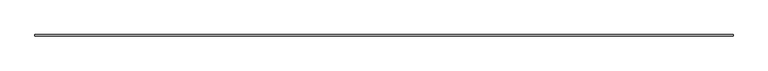
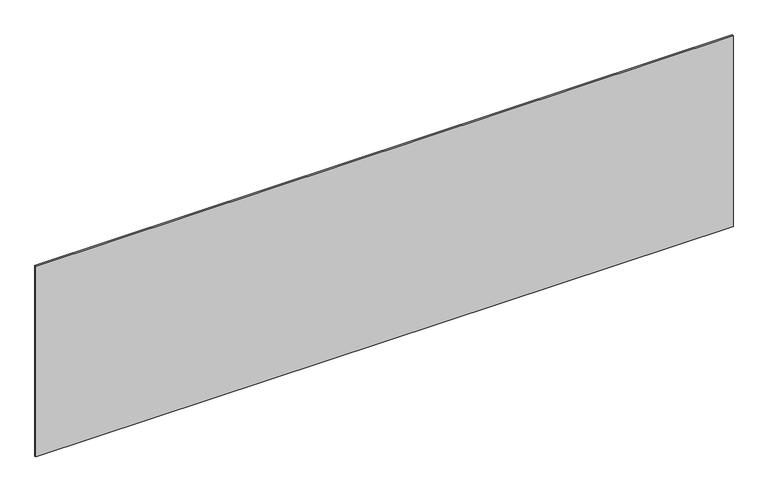
"""IFC4 building model written with IfcOpenShell, lengths in millimetres: plate geometry."""

from ifc_helpers import new_model, si_unit, origin, origin_with_axes, place, context, project, spatial, polyline, outline, extrude, source, transform, mapped, element, save


def plate_43654f06(model_context):
    return source(origin(), model_context, "Body", "SweptSolid", [
        extrude(outline(polyline([(2264.1666667, -5.0), (-2264.1666667, -5.0), (-2264.1666667, 5.0), (2264.1666667, 5.0), (2264.1666667, -5.0)])), origin_with_axes(), (0.0, 0.0, 1.0), 1309.8788902),
    ])


if __name__ == "__main__":
    model = new_model("IFC4")
    model_context = context("Model", 3, world=origin())
    ifc_project = project(units=[si_unit("LENGTHUNIT", "METRE", prefix="MILLI")], contexts=[model_context])
    site = spatial("IfcSite", under=ifc_project)
    building = spatial("IfcBuilding", under=site)
    placement = place(None, origin())
    plate_shape = plate_43654f06(model_context)
    element("IfcPlate", 1, at=placement, inside=building, context=model_context, shape_type="MappedRepresentation", body=[
        mapped(plate_shape, transform((0.0, 0.0, 0.0), x_axis=(1.0, 0.0, 0.0), y_axis=(0.0, 1.0, 0.0), z_axis=(0.0, 0.0, 1.0))),
    ])
    save(model, "model.ifc")
